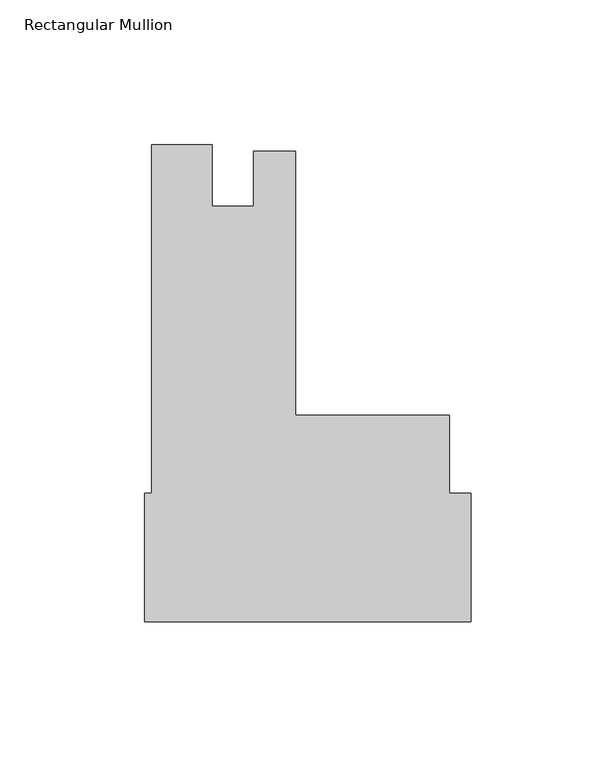
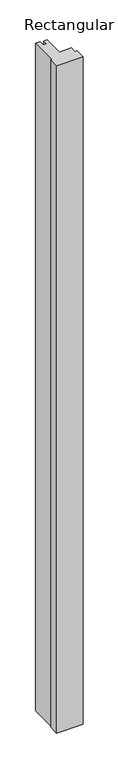
"""IFC4 building model written with IfcOpenShell, lengths in millimetres: member geometry, Rectangular Mullion."""

from ifc_helpers import new_model, si_unit, frame, origin, place, context, project, spatial, polyline, outline, extrude, source, transform, mapped, element, save


def rectangular_mullion_5984d078(model_context):
    return source(origin(), model_context, "Body", "SweptSolid", [
        extrude(outline(polyline([(-113.07572, -34.4122658), (-110.50651, -34.4122658), (-110.50651, 86.2377342), (-89.62771, 86.2377342), (-89.62771, 64.8318855), (-75.31481, 64.8318855), (-75.31481, 83.8564855), (-60.72251, 83.8564855), (-60.72251, -7.4374658), (-7.545705, -7.4374658), (-7.545705, -34.4122658), (0.0, -34.4122658), (0.0, -78.8622658), (-113.07572, -78.8622658), (-113.07572, -34.4122658)])), frame((0.0, 0.0, -3048.0), z_axis=(0.0, 0.0, 1.0), x_axis=(1.0, 0.0, 0.0)), (0.0, 0.0, 1.0), 3048.0),
    ])


if __name__ == "__main__":
    model = new_model("IFC4")
    model_context = context("Model", 3, world=origin())
    ifc_project = project(units=[si_unit("LENGTHUNIT", "METRE", prefix="MILLI")], contexts=[model_context])
    site = spatial("IfcSite", under=ifc_project)
    building = spatial("IfcBuilding", under=site)
    placement = place(None, origin())
    rectangular_mullion_shape = rectangular_mullion_5984d078(model_context)
    element("IfcMember", 1, ObjectType="Rectangular Mullion", at=placement, inside=building, context=model_context, shape_type="MappedRepresentation", body=[
        mapped(rectangular_mullion_shape, transform((0.0, 0.0, 0.0), x_axis=(1.0, 0.0, 0.0), y_axis=(0.0, 1.0, 0.0), z_axis=(0.0, 0.0, 1.0))),
    ])
    save(model, "model.ifc")
